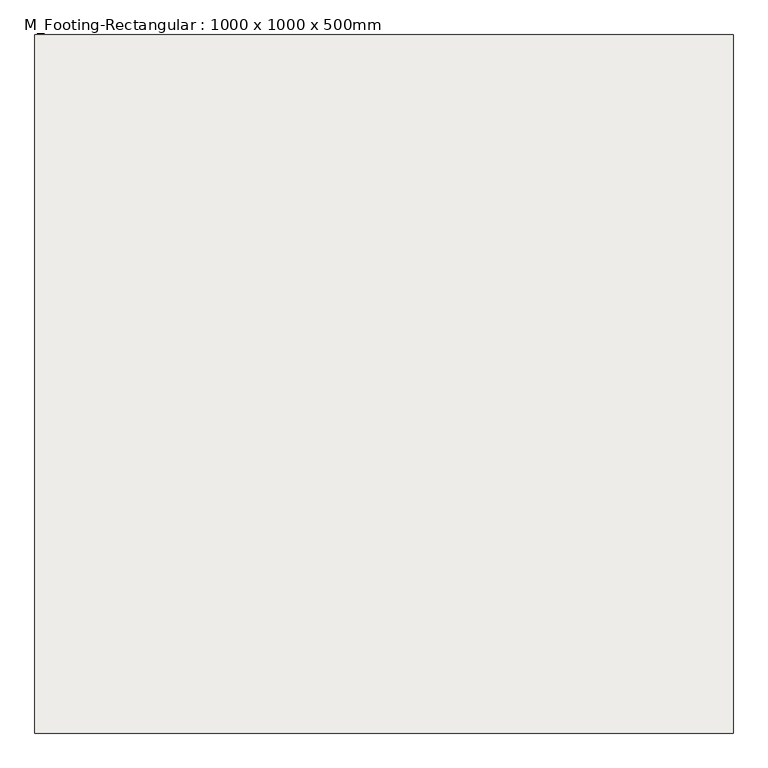
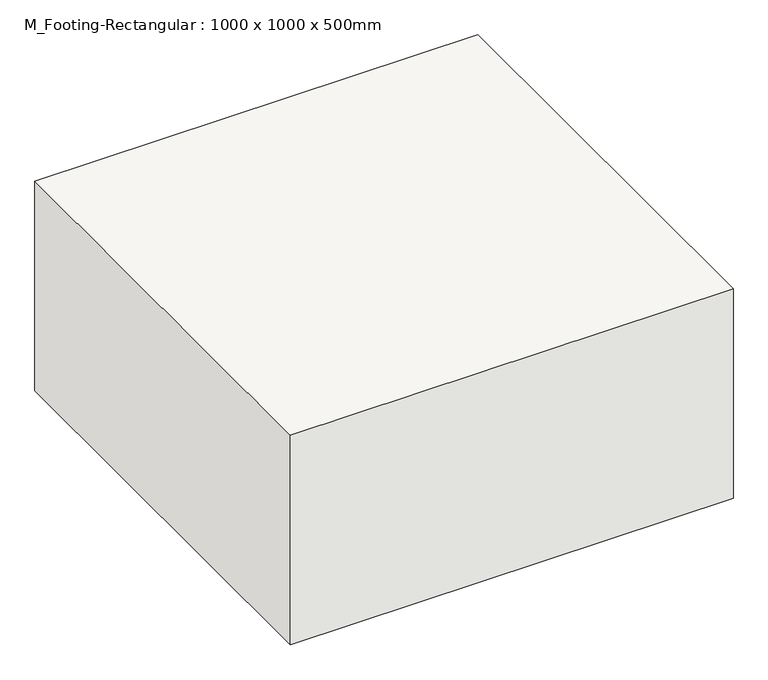
"""IFC4 building model written with IfcOpenShell, lengths in millimetres: slab geometry, M_Footing-Rectangular : 1000 x 1000 x 500mm."""

from ifc_helpers import new_model, si_unit, frame, origin, place, context, project, spatial, polyline, outline, extrude, source, transform, mapped, element, save


def m_footing_rectangular_1000_x_1000_x_500mm_ed6229e9(model_context):
    return source(origin(), model_context, "Body", "SweptSolid", [
        extrude(outline(polyline([(500.0, 500.0), (500.0, -500.0), (-500.0, -500.0), (-500.0, 500.0), (500.0, 500.0)])), frame((0.0, 0.0, -500.0), z_axis=(0.0, 0.0, 1.0), x_axis=(1.0, 0.0, 0.0)), (0.0, 0.0, 1.0), 500.0),
    ])


if __name__ == "__main__":
    model = new_model("IFC4")
    model_context = context("Model", 3, world=origin())
    ifc_project = project(units=[si_unit("LENGTHUNIT", "METRE", prefix="MILLI")], contexts=[model_context])
    site = spatial("IfcSite", under=ifc_project)
    building = spatial("IfcBuilding", under=site)
    placement = place(None, origin())
    m_footing_rectangular_1000_x_1000_x_500mm_shape = m_footing_rectangular_1000_x_1000_x_500mm_ed6229e9(model_context)
    element("IfcSlab", 1, ObjectType="M_Footing-Rectangular : 1000 x 1000 x 500mm", at=placement, inside=building, context=model_context, shape_type="MappedRepresentation", body=[
        mapped(m_footing_rectangular_1000_x_1000_x_500mm_shape, transform((0.0, 0.0, 0.0), x_axis=(1.0, 0.0, 0.0), y_axis=(0.0, 1.0, 0.0), z_axis=(0.0, 0.0, 1.0))),
    ])
    save(model, "model.ifc")
